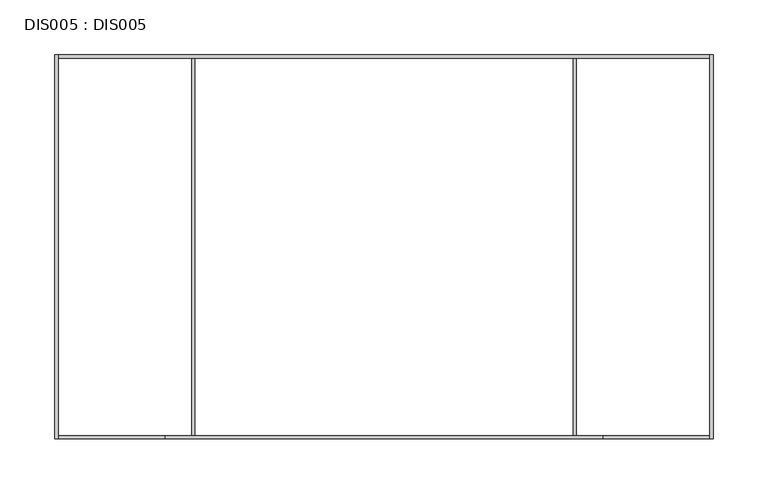
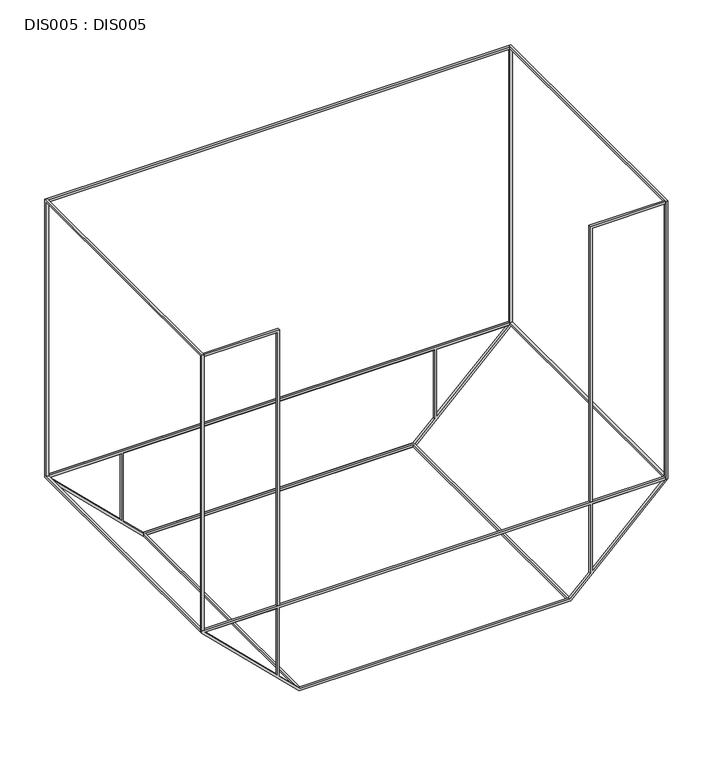
"""IFC4 building model written with IfcOpenShell, lengths in millimetres: proxy geometry, DIS005 : DIS005."""

from ifc_helpers import new_model, si_unit, frame, origin, origin_with_axes, place, context, project, spatial, polyline, outline, extrude, source, transform, mapped, element, save


def dis005_dis005_5ee10e8b(model_context):
    return source(origin(), model_context, "Body", "SweptSolid", [
        extrude(outline(polyline([(0.0, 500.0000038), (0.0, 122.0000024), (-350.0000027, 122.0000024), (-350.0000027, 500.0000038), (0.0, 500.0000038)]), holes=[polyline([(-347.0000041, 125.000001), (-3.0, 125.000001), (-3.0, 497.0000052), (-347.0000041, 497.0000052), (-347.0000041, 125.000001)])]), frame((597.000006, 0.0, 0.0), z_axis=(1.0, 0.0, 0.0), x_axis=(0.0, 1.0, 0.0)), (0.0, 0.0, 1.0), 2.9999986),
        extrude(outline(polyline([(125.000001, 600.0000046), (125.000001, 0.0), (122.0000024, 0.0), (0.0, 125.000001), (0.0, 475.0000036), (122.0000024, 600.0000046), (125.000001, 600.0000046)]), holes=[polyline([(122.0000024, 595.7596328), (31.5099998, 503.0000024), (122.0000024, 503.0000024), (122.0000024, 595.7596328)]), polyline([(28.5852024, 500.0000038), (3.0, 473.7725806), (3.0, 126.2285868), (28.5840721, 100.0000008), (122.0000024, 100.0000008), (122.0000024, 500.0000038), (28.5852024, 500.0000038)]), polyline([(122.0000024, 97.0000022), (31.5103518, 97.0000022), (122.0000024, 4.2851974), (122.0000024, 97.0000022)])]), frame((0.0, -350.0000027, 0.0), z_axis=(0.0, 1.0, 0.0), x_axis=(0.0, 0.0, 1.0)), (0.0, 0.0, 1.0), 2.9999986),
        extrude(outline(polyline([(0.0, 500.0000038), (0.0, 122.0000024), (-350.0000027, 122.0000024), (-350.0000027, 500.0000038), (0.0, 500.0000038)]), holes=[polyline([(-347.0000041, 125.000001), (-3.0, 125.000001), (-3.0, 497.0000052), (-347.0000041, 497.0000052), (-347.0000041, 125.000001)])]), frame((0.0, 0.0, 0.0), z_axis=(1.0, 0.0, 0.0), x_axis=(0.0, 1.0, 0.0)), (0.0, 0.0, 1.0), 3.0),
        extrude(outline(polyline([(475.0000036, 0.0), (475.0000036, -350.0000027), (125.000001, -350.0000027), (125.000001, 0.0), (475.0000036, 0.0)]), holes=[polyline([(127.9999995, -347.0000041), (472.0000051, -347.0000041), (472.0000051, -3.0), (127.9999995, -3.0), (127.9999995, -347.0000041)])]), origin_with_axes(), (0.0, 0.0, 1.0), 3.0),
        extrude(outline(polyline([(0.0, 475.0000036), (122.0000024, 600.0000046), (125.000001, 600.0000046), (125.000001, 0.0), (122.0000024, 0.0), (0.0, 125.000001), (0.0, 475.0000036)]), holes=[polyline([(122.0000024, 503.0000024), (122.0000024, 595.7596328), (31.5099998, 503.0000024), (122.0000024, 503.0000024)]), polyline([(31.5103518, 97.0000022), (122.0000024, 4.2307363), (122.0000024, 97.0000022), (31.5103518, 97.0000022)]), polyline([(28.5840721, 100.0000008), (122.0000024, 100.0000008), (122.0000024, 500.0000038), (28.5852024, 500.0000038), (3.0, 473.7725806), (3.0, 126.2285868), (28.5840721, 100.0000008)])]), frame((0.0, -3.0, 0.0), z_axis=(0.0, 1.0, 0.0), x_axis=(0.0, 0.0, 1.0)), (0.0, 0.0, 1.0), 3.0),
        extrude(outline(polyline([(0.0, 500.0000038), (0.0, 122.0000024), (-350.0000027, 122.0000024), (-350.0000027, 500.0000038), (0.0, 500.0000038)]), holes=[polyline([(-347.0000041, 125.000001), (-3.0, 125.000001), (-3.0, 497.0000052), (-347.0000041, 497.0000052), (-347.0000041, 125.000001)])]), frame((0.0, 0.0, 0.0), z_axis=(1.0, 0.0, 0.0), x_axis=(0.0, 1.0, 0.0)), (0.0, 0.0, 1.0), 3.0),
        extrude(outline(polyline([(500.0000038, 0.0), (122.0000024, 0.0), (122.0000024, 600.0000046), (500.0000038, 600.0000046), (500.0000038, 0.0)]), holes=[polyline([(125.000001, 597.000006), (125.000001, 3.0), (497.0000052, 3.0), (497.0000052, 597.000006), (125.000001, 597.000006)])]), frame((0.0, -3.0, 0.0), z_axis=(0.0, 1.0, 0.0), x_axis=(0.0, 0.0, 1.0)), (0.0, 0.0, 1.0), 3.0),
        extrude(outline(polyline([(500.0000038, 100.0000008), (500.0000038, 0.0), (122.0000024, 0.0), (122.0000024, 100.0000008), (500.0000038, 100.0000008)]), holes=[polyline([(125.000001, 3.0), (497.0000052, 3.0), (497.0000052, 97.0000022), (125.000001, 97.0000022), (125.000001, 3.0)])]), frame((0.0, -350.0000027, 0.0), z_axis=(0.0, 1.0, 0.0), x_axis=(0.0, 0.0, 1.0)), (0.0, 0.0, 1.0), 2.9999986),
        extrude(outline(polyline([(122.0000024, 500.0000038), (122.0000024, 600.0000046), (500.0000038, 600.0000046), (500.0000038, 500.0000038), (122.0000024, 500.0000038)]), holes=[polyline([(497.0000052, 597.000006), (125.000001, 597.000006), (125.000001, 503.0000024), (497.0000052, 503.0000024), (497.0000052, 597.000006)])]), frame((0.0, -350.0000027, 0.0), z_axis=(0.0, 1.0, 0.0), x_axis=(0.0, 0.0, 1.0)), (0.0, 0.0, 1.0), 2.9999986),
    ])


if __name__ == "__main__":
    model = new_model("IFC4")
    model_context = context("Model", 3, world=origin())
    ifc_project = project(units=[si_unit("LENGTHUNIT", "METRE", prefix="MILLI")], contexts=[model_context])
    site = spatial("IfcSite", under=ifc_project)
    building = spatial("IfcBuilding", under=site)
    placement = place(None, origin())
    dis005_dis005_shape = dis005_dis005_5ee10e8b(model_context)
    element("IfcBuildingElementProxy", 1, Name="DIS005 : DIS005", ObjectType="DIS005 : DIS005", at=placement, inside=building, context=model_context, shape_type="MappedRepresentation", body=[
        mapped(dis005_dis005_shape, transform((0.0, 0.0, 0.0), x_axis=(1.0, 0.0, 0.0), y_axis=(0.0, 1.0, 0.0), z_axis=(0.0, 0.0, 1.0))),
    ])
    save(model, "model.ifc")
